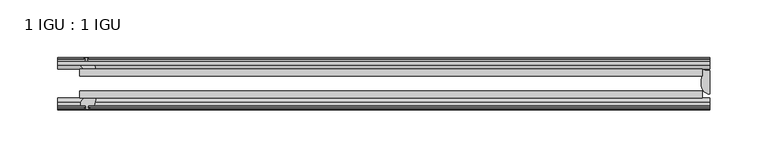
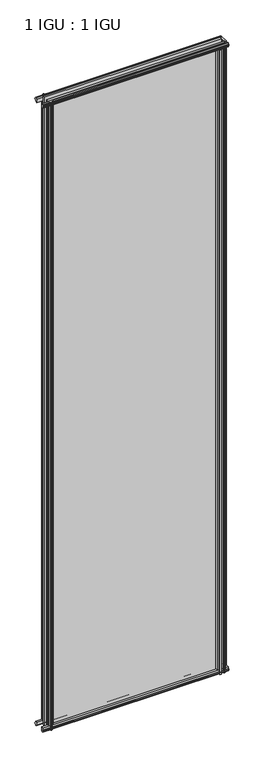
"""IFC4 building model written with IfcOpenShell, lengths in millimetres: plate geometry, 1 IGU : 1 IGU."""

from ifc_helpers import new_model, si_unit, point, frame, frame_2d, origin, place, context, project, spatial, polyline, circle_curve, ellipse_curve, trimmed, segment, composite_curve, outline, extrude, source, transform, mapped, element, save
from ifc_brep_helpers import plane_surface, cylinder_surface, revolved_surface, extruded_surface, advanced_brep


def plate_1_igu_1_igu_8eff34bf(model_context):
    return source(origin(), model_context, "Body", "SolidModel", [
        extrude(outline(polyline([(-263.5317468, -38.6468937), (276.2317468, -38.6468937), (276.2317468, -44.9460938), (-263.5317468, -44.9460938), (-263.5317468, -38.6468937)])), frame((0.0, 0.0, -12.7), z_axis=(0.0, 0.0, 1.0), x_axis=(1.0, 0.0, 0.0)), (0.0, 0.0, 1.0), 2019.2872996),
        extrude(outline(polyline([(-263.5317468, -19.5460937), (276.2317468, -19.5460937), (276.2317468, -25.8960938), (-263.5317468, -25.8960938), (-263.5317468, -19.5460937)])), frame((0.0, 0.0, -12.7), z_axis=(0.0, 0.0, 1.0), x_axis=(1.0, 0.0, 0.0)), (0.0, 0.0, 1.0), 2019.2872996),
        advanced_brep(
        [(282.5817468, -21.1709383, -12.4587), (282.5817468, -41.5384061, -12.4587), (275.0594096, -32.2460938, -12.4587), (276.2317468, -25.8452938, -12.4587), (276.2317468, -19.5460938, -12.4587), (282.5817468, -21.1709383, 2006.5872996), (276.2317468, -19.5460938, 2006.5872996), (276.2317468, -25.8452938, 2006.5872996), (275.0594096, -32.2460938, 2006.5872996), (282.5817468, -41.5384061, 2006.5872996)],
        [
            (0, 1),
            (1, 2, ellipse_curve(frame((282.5817468, -32.2460938, -12.4587), z_axis=(0.0, 0.0, -1.0), x_axis=(0.0, -1.0, 0.0)), 9.2923124, 7.5223371)),
            (2, 3, circle_curve(frame((293.1193231, -32.2460938, -12.4587), z_axis=(0.0, 0.0, -1.0), x_axis=(1.0, 0.0, 0.0)), 18.0599135)),
            (3, 4),
            (4, 0, circle_curve(frame((282.5817468, -7.950406, -12.4587), z_axis=(0.0, 0.0, 1.0), x_axis=(1.0, 0.0, 0.0)), 13.2205323)),
            (5, 6, circle_curve(frame((282.5817468, -7.950406, 2006.5872996), z_axis=(0.0, 0.0, -1.0), x_axis=(1.0, 0.0, 0.0)), 13.2205323)),
            (6, 7),
            (7, 8, circle_curve(frame((293.1193231, -32.2460938, 2006.5872996), z_axis=(0.0, 0.0, 1.0), x_axis=(1.0, 0.0, 0.0)), 18.0599135)),
            (8, 9, ellipse_curve(frame((282.5817468, -32.2460938, 2006.5872996), z_axis=(0.0, 0.0, 1.0), x_axis=(0.0, -1.0, 0.0)), 9.2923124, 7.5223371)),
            (9, 5),
            (1, 9),
            (8, 2),
            (7, 3),
            (6, 4),
            (5, 0),
        ],
        [
            plane_surface(frame((282.5817468, -13.1960938, -12.4587), z_axis=(0.0, 0.0, -1.0), x_axis=(0.0, 1.0, 0.0))),
            plane_surface(frame((282.5817468, -13.1960938, 2006.5872996), z_axis=(0.0, 0.0, 1.0), x_axis=(0.0, 1.0, 0.0))),
            extruded_surface(trimmed(ellipse_curve(frame((282.5817468, -32.2460938, 2006.5872996), z_axis=(0.0, 0.0, -1.0), x_axis=(0.0, -1.0, 0.0)), 9.2923124, 7.5223371), [point((282.5817468, -41.5384061, 2006.5872996))], [point((275.0594096, -32.2460938, 2006.5872996))], True, "CARTESIAN"), (0.0, 0.0, -2019.0459996), 2019.0459996),
            cylinder_surface(frame((293.1193231, -32.2460938, -12.4587), z_axis=(0.0, 0.0, -1.0), x_axis=(1.0, 0.0, 0.0)), 18.0599135),
            plane_surface(frame((276.2317468, -25.8452938, -12.4587), z_axis=(-1.0, 0.0, 0.0), x_axis=(0.0, 0.0, 1.0))),
            revolved_surface(polyline([(295.8022791, -7.950406, 2006.5872996), (295.8022791, -7.950406, -12.4587)]), (282.5817468, -7.950406, -12.4587), (0.0, 0.0, 1.0)),
            plane_surface(frame((282.5817468, -21.1709383, -12.4587), z_axis=(1.0, 0.0, 0.0), x_axis=(0.0, 0.0, 1.0))),
        ],
        [
            (0, [[1, 2, 3, 4, 5]]),
            (1, [[6, 7, 8, 9, 10]]),
            (2, [[-2, 11, -9, 12]]),
            (3, [[-3, -12, -8, 13]]),
            (4, [[-4, -13, -7, 14]]),
            (5, [[-5, -14, -6, 15]]),
            (6, [[-1, -15, -10, -11]]),
        ],
    ),
        extrude(outline(polyline([(-44.9460937, 1.7177181), (-44.9460937, -9.1036578), (-48.3496937, -11.938), (-51.2960937, -11.938), (-51.2960937, -7.493), (-53.6762907, -7.112), (-53.2163575, -8.5275291), (-54.0175717, -8.5275291), (-54.7250937, -6.35), (-54.0175717, -4.1724709), (-53.2163575, -4.1724709), (-53.6762907, -5.588), (-51.2960937, -5.207), (-51.2960937, 0.0), (-44.9460937, 1.7177181)])), frame((-282.5817468, 0.0, 0.0), z_axis=(1.0, 0.0, 0.0), x_axis=(0.0, 1.0, 0.0)), (0.0, 0.0, 1.0), 565.1634936),
        extrude(outline(polyline([(-13.1960937, -12.4587), (-16.1424937, -12.4587), (-19.5460937, -9.6243578), (-19.5460937, 1.1970181), (-13.1960937, -0.5207), (-13.1960937, -5.7277), (-10.8158968, -6.1087), (-11.27583, -4.6931709), (-10.4746158, -4.6931709), (-9.7670937, -6.8707), (-10.4746158, -9.0482291), (-11.27583, -9.0482291), (-10.8158968, -7.6327), (-13.1960937, -8.0137), (-13.1960937, -12.4587)])), frame((-282.5817468, 0.0, 0.0), z_axis=(1.0, 0.0, 0.0), x_axis=(0.0, 1.0, 0.0)), (0.0, 0.0, 1.0), 565.1634936),
        extrude(outline(polyline([(-51.2960937, 2005.8252996), (-48.3496937, 2005.8252996), (-44.9460937, 2002.9909574), (-44.9460937, 1992.1695815), (-51.2960937, 1993.8872996), (-51.2960937, 1999.0942996), (-53.6762907, 1999.4752996), (-53.2163575, 1998.0597705), (-54.0175717, 1998.0597705), (-54.7250937, 2000.2372996), (-54.0175717, 2002.4148286), (-53.2163575, 2002.4148286), (-53.6762907, 2000.9992996), (-51.2960937, 2001.3802996), (-51.2960937, 2005.8252996)])), frame((-282.5817468, 0.0, 0.0), z_axis=(1.0, 0.0, 0.0), x_axis=(0.0, 1.0, 0.0)), (0.0, 0.0, 1.0), 565.1634936),
        extrude(outline(polyline([(-19.5460937, 1992.6902815), (-19.5460937, 2003.5116574), (-16.1424937, 2006.3459996), (-13.1960937, 2006.3459996), (-13.1960937, 2001.9009996), (-10.8158968, 2001.5199996), (-11.27583, 2002.9355286), (-10.4746158, 2002.9355286), (-9.7670937, 2000.7579996), (-10.4746158, 1998.5804705), (-11.27583, 1998.5804705), (-10.8158968, 1999.9959996), (-13.1960937, 1999.6149996), (-13.1960937, 1994.4079996), (-19.5460937, 1992.6902815)])), frame((-282.5817468, 0.0, 0.0), z_axis=(1.0, 0.0, 0.0), x_axis=(0.0, 1.0, 0.0)), (0.0, 0.0, 1.0), 565.1634936),
        extrude(outline(composite_curve([segment(polyline([(273.0567469, -44.9460938), (273.0567469, -51.2960938), (271.4057469, -51.2960938), (271.4057469, -52.9470938), (272.4833777, -52.9470938)]), True, "CONTINUOUS"), segment(trimmed(circle_curve(frame_2d((271.4057469, -52.9470938)), 1.0776307), [point((272.4833777, -52.9470938))], [point((272.1677469, -53.7090938))], False, "CARTESIAN"), True, "CONTINUOUS"), segment(polyline([(272.1677469, -53.7090938), (270.4284545, -54.8194621)]), True, "CONTINUOUS"), segment(trimmed(circle_curve(frame_2d((269.8817469, -53.9630938)), 1.016), [point((270.4284545, -54.8194621))], [point((269.3350393, -54.8194621))], False, "CARTESIAN"), True, "CONTINUOUS"), segment(polyline([(269.3350393, -54.8194621), (267.5957469, -53.7090938)]), True, "CONTINUOUS"), segment(trimmed(circle_curve(frame_2d((268.3577469, -52.9470938)), 1.0776307), [point((267.5957469, -53.7090938))], [point((267.2801162, -52.9470938))], False, "CARTESIAN"), True, "CONTINUOUS"), segment(polyline([(267.2801162, -52.9470938), (268.3577469, -52.9470938), (268.3577469, -51.2960938), (259.289947, -51.2960938)]), True, "CONTINUOUS"), segment(trimmed(circle_curve(frame_2d((259.289947, -51.7532938)), 0.4572), [point((259.289947, -51.2960938))], [point((258.9511291, -52.0602698))], True, "CARTESIAN"), True, "CONTINUOUS"), segment(trimmed(circle_curve(frame_2d((257.181747, -53.663367)), 2.3876), [point((258.9511291, -52.0602698))], [point((259.25239, -54.8520938))], False, "CARTESIAN"), True, "CONTINUOUS"), segment(polyline([(259.25239, -54.8520938), (255.111104, -54.8520938)]), True, "CONTINUOUS"), segment(trimmed(circle_curve(frame_2d((257.181747, -53.663367)), 2.3876), [point((255.111104, -54.8520938))], [point((255.4123648, -52.0602698))], False, "CARTESIAN"), True, "CONTINUOUS"), segment(trimmed(circle_curve(frame_2d((255.073547, -51.7532938)), 0.4572), [point((255.4123648, -52.0602698))], [point((255.073547, -51.2960938))], True, "CARTESIAN"), True, "CONTINUOUS"), segment(polyline([(255.073547, -51.2960938), (250.831747, -51.2960938)]), True, "CONTINUOUS"), segment(trimmed(circle_curve(frame_2d((241.8158155, -51.9750196)), 9.0414579), [point((250.831747, -51.2960938))], [point((247.5028324, -44.9460938))], True, "CARTESIAN"), True, "CONTINUOUS"), segment(polyline([(247.5028324, -44.9460938), (273.0567469, -44.9460938)]), True, "CONTINUOUS")], self_intersect=False)), frame((0.0, 0.0, -12.7), z_axis=(0.0, 0.0, 1.0), x_axis=(1.0, 0.0, 0.0)), (0.0, 0.0, 1.0), 2006.5872996),
        extrude(outline(polyline([(-257.7024468, -9.7670937), (-255.5249177, -10.4746158), (-255.5249177, -11.27583), (-256.9404468, -10.8158968), (-256.5594468, -13.1960937), (-251.3524468, -13.1960937), (-249.6347287, -19.5460937), (-260.4561046, -19.5460937), (-263.2904468, -16.1424937), (-263.2904468, -13.1960937), (-258.8454468, -13.1960937), (-258.4644468, -10.8158968), (-259.8799758, -11.27583), (-259.8799758, -10.4746158), (-257.7024468, -9.7670937)])), frame((0.0, 0.0, -12.7), z_axis=(0.0, 0.0, 1.0), x_axis=(1.0, 0.0, 0.0)), (0.0, 0.0, 1.0), 2019.2872997),
        extrude(outline(polyline([(-262.7697468, -48.3496937), (-259.9354046, -44.9460937), (-249.1140287, -44.9460937), (-250.8317468, -51.2960937), (-256.0387468, -51.2960937), (-256.4197468, -53.6762907), (-255.0042177, -53.2163575), (-255.0042177, -54.0175717), (-257.1817468, -54.7250937), (-259.3592758, -54.0175717), (-259.3592758, -53.2163575), (-257.9437468, -53.6762907), (-258.3247468, -51.2960937), (-262.7697468, -51.2960937), (-262.7697468, -48.3496937)])), frame((0.0, 0.0, -12.7), z_axis=(0.0, 0.0, 1.0), x_axis=(1.0, 0.0, 0.0)), (0.0, 0.0, 1.0), 2019.2872997),
    ])


if __name__ == "__main__":
    model = new_model("IFC4")
    model_context = context("Model", 3, world=origin())
    ifc_project = project(units=[si_unit("LENGTHUNIT", "METRE", prefix="MILLI")], contexts=[model_context])
    site = spatial("IfcSite", under=ifc_project)
    building = spatial("IfcBuilding", under=site)
    placement = place(None, origin())
    plate_1_igu_1_igu_shape = plate_1_igu_1_igu_8eff34bf(model_context)
    element("IfcPlate", 1, ObjectType="1 IGU : 1 IGU", at=placement, inside=building, context=model_context, shape_type="MappedRepresentation", body=[
        mapped(plate_1_igu_1_igu_shape, transform((0.0, 0.0, 0.0), x_axis=(1.0, 0.0, 0.0), y_axis=(0.0, 1.0, 0.0), z_axis=(0.0, 0.0, 1.0))),
    ])
    save(model, "model.ifc")
